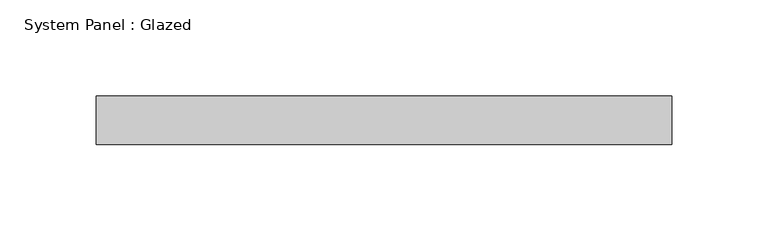
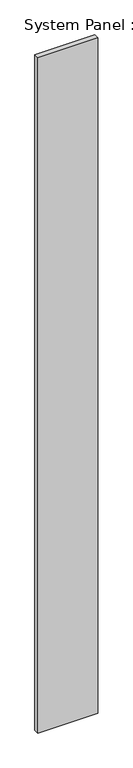
"""IFC4 building model written with IfcOpenShell, lengths in millimetres: plate geometry, System Panel : Glazed."""

from ifc_helpers import new_model, si_unit, origin, origin_with_axes, place, context, project, spatial, polyline, outline, extrude, source, transform, mapped, element, save


def system_panel_glazed_aac32b82(model_context):
    return source(origin(), model_context, "Body", "SweptSolid", [
        extrude(outline(polyline([(149.7067547, 19.05), (-149.7067547, 19.05), (-149.7067547, 44.45), (149.7067547, 44.45), (149.7067547, 19.05)])), origin_with_axes(), (0.0, 0.0, 1.0), 3562.35),
    ])


if __name__ == "__main__":
    model = new_model("IFC4")
    model_context = context("Model", 3, world=origin())
    ifc_project = project(units=[si_unit("LENGTHUNIT", "METRE", prefix="MILLI")], contexts=[model_context])
    site = spatial("IfcSite", under=ifc_project)
    building = spatial("IfcBuilding", under=site)
    placement = place(None, origin())
    system_panel_glazed_shape = system_panel_glazed_aac32b82(model_context)
    element("IfcPlate", 1, ObjectType="System Panel : Glazed", at=placement, inside=building, context=model_context, shape_type="MappedRepresentation", body=[
        mapped(system_panel_glazed_shape, transform((0.0, 0.0, 0.0), x_axis=(1.0, 0.0, 0.0), y_axis=(0.0, 1.0, 0.0), z_axis=(0.0, 0.0, 1.0))),
    ])
    save(model, "model.ifc")
